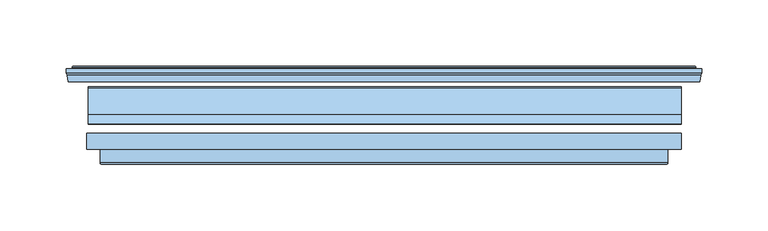
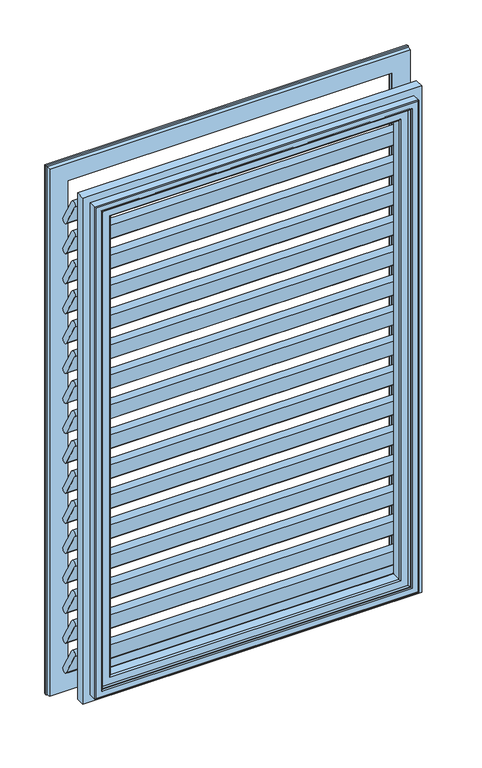
"""IFC4 building model written with IfcOpenShell, lengths in millimetres: window geometry."""

from ifc_helpers import new_model, si_unit, point, frame, frame_2d, origin, place, context, project, spatial, polyline, circle_curve, ellipse_curve, trimmed, segment, composite_curve, outline, extrude, source, transform, mapped, element, save
from ifc_brep_helpers import plane_surface, cylinder_surface, revolved_surface, advanced_brep


def window_b75c1508(model_context):
    return source(origin(), model_context, "Body", "SolidModel", [
        extrude(outline(composite_curve([segment(trimmed(circle_curve(frame_2d((113.9987513, 1495.110973)), 4.0), [point((110.5346497, 1493.110973))], [point((117.4628529, 1497.110973))], False, "CARTESIAN"), True, "CONTINUOUS"), segment(polyline([(117.4628529, 1497.110973), (137.4628449, 1462.4699707)]), True, "CONTINUOUS"), segment(trimmed(circle_curve(frame_2d((133.9987433, 1460.4699707)), 4.0), [point((137.4628449, 1462.4699707))], [point((130.5346417, 1458.4699707))], False, "CARTESIAN"), True, "CONTINUOUS"), segment(polyline([(130.5346417, 1458.4699707), (110.5346497, 1493.110973)]), True, "CONTINUOUS")], self_intersect=False)), frame((-223.0, 0.0, 0.0), z_axis=(1.0, 0.0, 0.0), x_axis=(0.0, 1.0, 0.0)), (0.0, 0.0, 1.0), 447.0),
        extrude(outline(composite_curve([segment(trimmed(circle_curve(frame_2d((113.9987513, 1453.2202607)), 4.0), [point((110.5346497, 1451.2202607))], [point((117.4628529, 1455.2202607))], False, "CARTESIAN"), True, "CONTINUOUS"), segment(polyline([(117.4628529, 1455.2202607), (137.4628449, 1420.5792584)]), True, "CONTINUOUS"), segment(trimmed(circle_curve(frame_2d((133.9987433, 1418.5792584)), 4.0), [point((137.4628449, 1420.5792584))], [point((130.5346417, 1416.5792584))], False, "CARTESIAN"), True, "CONTINUOUS"), segment(polyline([(130.5346417, 1416.5792584), (110.5346497, 1451.2202607)]), True, "CONTINUOUS")], self_intersect=False)), frame((-223.0, 0.0, 0.0), z_axis=(1.0, 0.0, 0.0), x_axis=(0.0, 1.0, 0.0)), (0.0, 0.0, 1.0), 447.0),
        extrude(outline(composite_curve([segment(trimmed(circle_curve(frame_2d((113.9987513, 1411.3295484)), 4.0), [point((110.5346497, 1409.3295484))], [point((117.4628529, 1413.3295484))], False, "CARTESIAN"), True, "CONTINUOUS"), segment(polyline([(117.4628529, 1413.3295484), (137.4628449, 1378.6885461)]), True, "CONTINUOUS"), segment(trimmed(circle_curve(frame_2d((133.9987433, 1376.6885461)), 4.0), [point((137.4628449, 1378.6885461))], [point((130.5346417, 1374.6885461))], False, "CARTESIAN"), True, "CONTINUOUS"), segment(polyline([(130.5346417, 1374.6885461), (110.5346497, 1409.3295484)]), True, "CONTINUOUS")], self_intersect=False)), frame((-223.0, 0.0, 0.0), z_axis=(1.0, 0.0, 0.0), x_axis=(0.0, 1.0, 0.0)), (0.0, 0.0, 1.0), 447.0),
        extrude(outline(composite_curve([segment(trimmed(circle_curve(frame_2d((113.9987513, 1369.4388361)), 4.0), [point((110.5346497, 1367.4388361))], [point((117.4628529, 1371.4388361))], False, "CARTESIAN"), True, "CONTINUOUS"), segment(polyline([(117.4628529, 1371.4388361), (137.4628449, 1336.7978338)]), True, "CONTINUOUS"), segment(trimmed(circle_curve(frame_2d((133.9987433, 1334.7978338)), 4.0), [point((137.4628449, 1336.7978338))], [point((130.5346417, 1332.7978338))], False, "CARTESIAN"), True, "CONTINUOUS"), segment(polyline([(130.5346417, 1332.7978338), (110.5346497, 1367.4388361)]), True, "CONTINUOUS")], self_intersect=False)), frame((-223.0, 0.0, 0.0), z_axis=(1.0, 0.0, 0.0), x_axis=(0.0, 1.0, 0.0)), (0.0, 0.0, 1.0), 447.0),
        extrude(outline(composite_curve([segment(trimmed(circle_curve(frame_2d((113.9987513, 1327.5481238)), 4.0), [point((110.5346497, 1325.5481238))], [point((117.4628529, 1329.5481238))], False, "CARTESIAN"), True, "CONTINUOUS"), segment(polyline([(117.4628529, 1329.5481238), (137.4628449, 1294.9071214)]), True, "CONTINUOUS"), segment(trimmed(circle_curve(frame_2d((133.9987433, 1292.9071214)), 4.0), [point((137.4628449, 1294.9071214))], [point((130.5346417, 1290.9071214))], False, "CARTESIAN"), True, "CONTINUOUS"), segment(polyline([(130.5346417, 1290.9071214), (110.5346497, 1325.5481238)]), True, "CONTINUOUS")], self_intersect=False)), frame((-223.0, 0.0, 0.0), z_axis=(1.0, 0.0, 0.0), x_axis=(0.0, 1.0, 0.0)), (0.0, 0.0, 1.0), 447.0),
        extrude(outline(composite_curve([segment(trimmed(circle_curve(frame_2d((113.9987513, 1285.6574114)), 4.0), [point((110.5346497, 1283.6574114))], [point((117.4628529, 1287.6574114))], False, "CARTESIAN"), True, "CONTINUOUS"), segment(polyline([(117.4628529, 1287.6574114), (137.4628449, 1253.0164091)]), True, "CONTINUOUS"), segment(trimmed(circle_curve(frame_2d((133.9987433, 1251.0164091)), 4.0), [point((137.4628449, 1253.0164091))], [point((130.5346417, 1249.0164091))], False, "CARTESIAN"), True, "CONTINUOUS"), segment(polyline([(130.5346417, 1249.0164091), (110.5346497, 1283.6574114)]), True, "CONTINUOUS")], self_intersect=False)), frame((-223.0, 0.0, 0.0), z_axis=(1.0, 0.0, 0.0), x_axis=(0.0, 1.0, 0.0)), (0.0, 0.0, 1.0), 447.0),
        extrude(outline(composite_curve([segment(trimmed(circle_curve(frame_2d((113.9987513, 1243.7666991)), 4.0), [point((110.5346497, 1241.7666991))], [point((117.4628529, 1245.7666991))], False, "CARTESIAN"), True, "CONTINUOUS"), segment(polyline([(117.4628529, 1245.7666991), (137.4628449, 1211.1256968)]), True, "CONTINUOUS"), segment(trimmed(circle_curve(frame_2d((133.9987433, 1209.1256968)), 4.0), [point((137.4628449, 1211.1256968))], [point((130.5346417, 1207.1256968))], False, "CARTESIAN"), True, "CONTINUOUS"), segment(polyline([(130.5346417, 1207.1256968), (110.5346497, 1241.7666991)]), True, "CONTINUOUS")], self_intersect=False)), frame((-223.0, 0.0, 0.0), z_axis=(1.0, 0.0, 0.0), x_axis=(0.0, 1.0, 0.0)), (0.0, 0.0, 1.0), 447.0),
        extrude(outline(composite_curve([segment(trimmed(circle_curve(frame_2d((113.9987513, 1537.0016853)), 4.0), [point((110.5346497, 1535.0016853))], [point((117.4628529, 1539.0016853))], False, "CARTESIAN"), True, "CONTINUOUS"), segment(polyline([(117.4628529, 1539.0016853), (137.4628449, 1504.360683)]), True, "CONTINUOUS"), segment(trimmed(circle_curve(frame_2d((133.9987433, 1502.360683)), 4.0), [point((137.4628449, 1504.360683))], [point((130.5346417, 1500.360683))], False, "CARTESIAN"), True, "CONTINUOUS"), segment(polyline([(130.5346417, 1500.360683), (110.5346497, 1535.0016853)]), True, "CONTINUOUS")], self_intersect=False)), frame((-223.0, 0.0, 0.0), z_axis=(1.0, 0.0, 0.0), x_axis=(0.0, 1.0, 0.0)), (0.0, 0.0, 1.0), 447.0),
        extrude(outline(composite_curve([segment(trimmed(circle_curve(frame_2d((113.9987513, 1201.8759868)), 4.0), [point((110.5346497, 1199.8759868))], [point((117.4628529, 1203.8759868))], False, "CARTESIAN"), True, "CONTINUOUS"), segment(polyline([(117.4628529, 1203.8759868), (137.4628449, 1169.2349845)]), True, "CONTINUOUS"), segment(trimmed(circle_curve(frame_2d((133.9987433, 1167.2349845)), 4.0), [point((137.4628449, 1169.2349845))], [point((130.5346417, 1165.2349845))], False, "CARTESIAN"), True, "CONTINUOUS"), segment(polyline([(130.5346417, 1165.2349845), (110.5346497, 1199.8759868)]), True, "CONTINUOUS")], self_intersect=False)), frame((-223.0, 0.0, 0.0), z_axis=(1.0, 0.0, 0.0), x_axis=(0.0, 1.0, 0.0)), (0.0, 0.0, 1.0), 447.0),
        extrude(outline(composite_curve([segment(trimmed(circle_curve(frame_2d((113.9987513, 1159.9852745)), 4.0), [point((110.5346497, 1157.9852745))], [point((117.4628529, 1161.9852745))], False, "CARTESIAN"), True, "CONTINUOUS"), segment(polyline([(117.4628529, 1161.9852745), (137.4628449, 1127.3442722)]), True, "CONTINUOUS"), segment(trimmed(circle_curve(frame_2d((133.9987433, 1125.3442722)), 4.0), [point((137.4628449, 1127.3442722))], [point((130.5346417, 1123.3442722))], False, "CARTESIAN"), True, "CONTINUOUS"), segment(polyline([(130.5346417, 1123.3442722), (110.5346497, 1157.9852745)]), True, "CONTINUOUS")], self_intersect=False)), frame((-223.0, 0.0, 0.0), z_axis=(1.0, 0.0, 0.0), x_axis=(0.0, 1.0, 0.0)), (0.0, 0.0, 1.0), 447.0),
        extrude(outline(composite_curve([segment(trimmed(circle_curve(frame_2d((113.9987513, 1118.0945622)), 4.0), [point((110.5346497, 1116.0945622))], [point((117.4628529, 1120.0945622))], False, "CARTESIAN"), True, "CONTINUOUS"), segment(polyline([(117.4628529, 1120.0945622), (137.4628449, 1085.4535598)]), True, "CONTINUOUS"), segment(trimmed(circle_curve(frame_2d((133.9987433, 1083.4535598)), 4.0), [point((137.4628449, 1085.4535598))], [point((130.5346417, 1081.4535598))], False, "CARTESIAN"), True, "CONTINUOUS"), segment(polyline([(130.5346417, 1081.4535598), (110.5346497, 1116.0945622)]), True, "CONTINUOUS")], self_intersect=False)), frame((-223.0, 0.0, 0.0), z_axis=(1.0, 0.0, 0.0), x_axis=(0.0, 1.0, 0.0)), (0.0, 0.0, 1.0), 447.0),
        extrude(outline(composite_curve([segment(trimmed(circle_curve(frame_2d((113.9987513, 1076.2038498)), 4.0), [point((110.5346497, 1074.2038498))], [point((117.4628529, 1078.2038498))], False, "CARTESIAN"), True, "CONTINUOUS"), segment(polyline([(117.4628529, 1078.2038498), (137.4628449, 1043.5628475)]), True, "CONTINUOUS"), segment(trimmed(circle_curve(frame_2d((133.9987433, 1041.5628475)), 4.0), [point((137.4628449, 1043.5628475))], [point((130.5346417, 1039.5628475))], False, "CARTESIAN"), True, "CONTINUOUS"), segment(polyline([(130.5346417, 1039.5628475), (110.5346497, 1074.2038498)]), True, "CONTINUOUS")], self_intersect=False)), frame((-223.0, 0.0, 0.0), z_axis=(1.0, 0.0, 0.0), x_axis=(0.0, 1.0, 0.0)), (0.0, 0.0, 1.0), 447.0),
        extrude(outline(composite_curve([segment(trimmed(circle_curve(frame_2d((113.9987513, 1034.3131375)), 4.0), [point((110.5346497, 1032.3131375))], [point((117.4628529, 1036.3131375))], False, "CARTESIAN"), True, "CONTINUOUS"), segment(polyline([(117.4628529, 1036.3131375), (137.4628449, 1001.6721352)]), True, "CONTINUOUS"), segment(trimmed(circle_curve(frame_2d((133.9987433, 999.6721352)), 4.0), [point((137.4628449, 1001.6721352))], [point((130.5346417, 997.6721352))], False, "CARTESIAN"), True, "CONTINUOUS"), segment(polyline([(130.5346417, 997.6721352), (110.5346497, 1032.3131375)]), True, "CONTINUOUS")], self_intersect=False)), frame((-223.0, 0.0, 0.0), z_axis=(1.0, 0.0, 0.0), x_axis=(0.0, 1.0, 0.0)), (0.0, 0.0, 1.0), 447.0),
        extrude(outline(composite_curve([segment(trimmed(circle_curve(frame_2d((113.9987513, 992.4224252)), 4.0), [point((110.5346497, 990.4224252))], [point((117.4628529, 994.4224252))], False, "CARTESIAN"), True, "CONTINUOUS"), segment(polyline([(117.4628529, 994.4224252), (137.4628449, 959.7814229)]), True, "CONTINUOUS"), segment(trimmed(circle_curve(frame_2d((133.9987433, 957.7814229)), 4.0), [point((137.4628449, 959.7814229))], [point((130.5346417, 955.7814229))], False, "CARTESIAN"), True, "CONTINUOUS"), segment(polyline([(130.5346417, 955.7814229), (110.5346497, 990.4224252)]), True, "CONTINUOUS")], self_intersect=False)), frame((-223.0, 0.0, 0.0), z_axis=(1.0, 0.0, 0.0), x_axis=(0.0, 1.0, 0.0)), (0.0, 0.0, 1.0), 447.0),
        extrude(outline(composite_curve([segment(trimmed(circle_curve(frame_2d((113.9987513, 950.5317129)), 4.0), [point((110.5346497, 948.5317129))], [point((117.4628529, 952.5317129))], False, "CARTESIAN"), True, "CONTINUOUS"), segment(polyline([(117.4628529, 952.5317129), (137.4628449, 917.8907106)]), True, "CONTINUOUS"), segment(trimmed(circle_curve(frame_2d((133.9987433, 915.8907106)), 4.0), [point((137.4628449, 917.8907106))], [point((130.5346417, 913.8907106))], False, "CARTESIAN"), True, "CONTINUOUS"), segment(polyline([(130.5346417, 913.8907106), (110.5346497, 948.5317129)]), True, "CONTINUOUS")], self_intersect=False)), frame((-223.0, 0.0, 0.0), z_axis=(1.0, 0.0, 0.0), x_axis=(0.0, 1.0, 0.0)), (0.0, 0.0, 1.0), 447.0),
        extrude(outline(composite_curve([segment(trimmed(circle_curve(frame_2d((113.9987513, 908.6410006)), 4.0), [point((110.5346497, 906.6410006))], [point((117.4628529, 910.6410006))], False, "CARTESIAN"), True, "CONTINUOUS"), segment(polyline([(117.4628529, 910.6410006), (137.4628449, 875.9999983)]), True, "CONTINUOUS"), segment(trimmed(circle_curve(frame_2d((133.9987433, 873.9999983)), 4.0), [point((137.4628449, 875.9999983))], [point((130.5346417, 871.9999983))], False, "CARTESIAN"), True, "CONTINUOUS"), segment(polyline([(130.5346417, 871.9999983), (110.5346497, 906.6410006)]), True, "CONTINUOUS")], self_intersect=False)), frame((-223.0, 0.0, 0.0), z_axis=(1.0, 0.0, 0.0), x_axis=(0.0, 1.0, 0.0)), (0.0, 0.0, 1.0), 447.0),
        advanced_brep(
        [(191.1111777, 85.6341729, 1527.1111777), (192.9139994, 100.3169769, 1528.9139994), (192.9139994, 100.3169769, 883.0860006), (191.1111777, 85.6341729, 884.8888223), (192.5999969, 83.9513689, 1528.5999969), (192.5999969, 83.9513689, 883.4000031), (203.9999969, 82.4513689, 1539.9999969), (202.4999969, 83.9513689, 1538.4999969), (202.4999969, 83.9513689, 873.5000031), (203.9999969, 82.4513689, 872.0000031), (203.9999969, 81.2513689, 1539.9999969), (203.9999969, 81.2513689, 872.0000031), (205.4999969, 79.7513689, 1541.4999969), (205.4999969, 79.7513689, 870.5000031), (213.9999969, 80.7513689, 1549.9999969), (212.9999969, 79.7513689, 1548.9999969), (212.9999969, 79.7513689, 863.0000031), (213.9999969, 80.7513689, 862.0000031), (213.9999969, 90.9513689, 1549.9999969), (213.9999969, 90.9513689, 862.0000031), (223.9999969, 102.9513689, 1559.9999969), (223.9999969, 90.9513689, 1559.9999969), (223.9999969, 90.9513689, 852.0000031), (223.9999969, 102.9513689, 852.0000031), (195.8916378, 102.9513689, 1531.8916378), (195.8916378, 102.9513689, 880.1083622), (-192.9139994, 100.3169769, 883.0860006), (-191.1111777, 85.6341729, 884.8888223), (-192.5999969, 83.9513689, 883.4000031), (-202.4999969, 83.9513689, 873.5000031), (-203.9999969, 82.4513689, 872.0000031), (-203.9999969, 81.2513689, 872.0000031), (-205.4999969, 79.7513689, 870.5000031), (-212.9999969, 79.7513689, 863.0000031), (-213.9999969, 80.7513689, 862.0000031), (-213.9999969, 90.9513689, 862.0000031), (-223.9999969, 90.9513689, 852.0000031), (-223.9999969, 102.9513689, 852.0000031), (-195.8916378, 102.9513689, 880.1083622), (-192.9139994, 100.3169769, 1528.9139994), (-191.1111777, 85.6341729, 1527.1111777), (-192.5999969, 83.9513689, 1528.5999969), (-202.4999969, 83.9513689, 1538.4999969), (-203.9999969, 82.4513689, 1539.9999969), (-203.9999969, 81.2513689, 1539.9999969), (-205.4999969, 79.7513689, 1541.4999969), (-212.9999969, 79.7513689, 1548.9999969), (-213.9999969, 80.7513689, 1549.9999969), (-213.9999969, 90.9513689, 1549.9999969), (-223.9999969, 90.9513689, 1559.9999969), (-223.9999969, 102.9513689, 1559.9999969), (-195.8916378, 102.9513689, 1531.8916378)],
        [
            (0, 1),
            (1, 2),
            (2, 3),
            (3, 0),
            (4, 0, ellipse_curve(frame((192.5999969, 85.4513689, 1528.5999969), z_axis=(0.7071067811865475, 0.0, -0.7071067811865475), x_axis=(0.7071067811865474, 0.0, 0.7071067811865476)), 2.1213203, 1.5)),
            (3, 5, ellipse_curve(frame((192.5999969, 85.4513689, 883.4000031), z_axis=(0.7071067811865475, 0.0, 0.7071067811865475), x_axis=(-0.7071067811865474, 0.0, 0.7071067811865476)), 2.1213203, 1.5)),
            (5, 4),
            (6, 7, ellipse_curve(frame((202.4999969, 82.4513689, 1538.4999969), z_axis=(-0.7071067811865475, 0.0, 0.7071067811865475), x_axis=(-0.7071067811865474, 0.0, -0.7071067811865476)), 2.1213203, 1.5)),
            (7, 8),
            (8, 9, ellipse_curve(frame((202.4999969, 82.4513689, 873.5000031), z_axis=(-0.7071067811865475, 0.0, -0.7071067811865475), x_axis=(0.7071067811865474, 0.0, -0.7071067811865476)), 2.1213203, 1.5)),
            (9, 6),
            (10, 6),
            (9, 11),
            (11, 10),
            (12, 10, ellipse_curve(frame((205.4999969, 81.2513689, 1541.4999969), z_axis=(0.7071067811865475, 0.0, -0.7071067811865475), x_axis=(0.7071067811865474, 0.0, 0.7071067811865476)), 2.1213203, 1.5)),
            (11, 13, ellipse_curve(frame((205.4999969, 81.2513689, 870.5000031), z_axis=(0.7071067811865475, 0.0, 0.7071067811865475), x_axis=(-0.7071067811865474, 0.0, 0.7071067811865476)), 2.1213203, 1.5)),
            (13, 12),
            (14, 15, ellipse_curve(frame((212.9999969, 80.7513689, 1548.9999969), z_axis=(0.7071067811865475, 0.0, -0.7071067811865475), x_axis=(0.7071067811865474, 0.0, 0.7071067811865476)), 1.4142136, 1.0)),
            (15, 16),
            (16, 17, ellipse_curve(frame((212.9999969, 80.7513689, 863.0000031), z_axis=(0.7071067811865475, 0.0, 0.7071067811865475), x_axis=(-0.7071067811865474, 0.0, 0.7071067811865476)), 1.4142136, 1.0)),
            (17, 14),
            (18, 14),
            (17, 19),
            (19, 18),
            (20, 21),
            (21, 22),
            (22, 23),
            (23, 20),
            (1, 24, ellipse_curve(frame((195.8916378, 99.9513689, 1531.8916378), z_axis=(0.7071067811865475, 0.0, -0.7071067811865475), x_axis=(0.7071067811865474, 0.0, 0.7071067811865476)), 4.2426407, 3.0)),
            (24, 25),
            (25, 2, ellipse_curve(frame((195.8916378, 99.9513689, 880.1083622), z_axis=(0.7071067811865475, 0.0, 0.7071067811865475), x_axis=(-0.7071067811865474, 0.0, 0.7071067811865476)), 4.2426407, 3.0)),
            (2, 26),
            (26, 27),
            (27, 3),
            (27, 28, ellipse_curve(frame((-192.5999969, 85.4513689, 883.4000031), z_axis=(0.7071067811865475, 0.0, -0.7071067811865475), x_axis=(0.7071067811865476, 0.0, 0.7071067811865474)), 2.1213203, 1.5)),
            (28, 5),
            (8, 29),
            (29, 30, ellipse_curve(frame((-202.4999969, 82.4513689, 873.5000031), z_axis=(-0.7071067811865475, 0.0, 0.7071067811865475), x_axis=(-0.7071067811865476, 0.0, -0.7071067811865474)), 2.1213203, 1.5)),
            (30, 9),
            (30, 31),
            (31, 11),
            (31, 32, ellipse_curve(frame((-205.4999969, 81.2513689, 870.5000031), z_axis=(0.7071067811865475, 0.0, -0.7071067811865475), x_axis=(0.7071067811865476, 0.0, 0.7071067811865474)), 2.1213203, 1.5)),
            (32, 13),
            (16, 33),
            (33, 34, ellipse_curve(frame((-212.9999969, 80.7513689, 863.0000031), z_axis=(0.7071067811865475, 0.0, -0.7071067811865475), x_axis=(0.7071067811865476, 0.0, 0.7071067811865474)), 1.4142136, 1.0)),
            (34, 17),
            (34, 35),
            (35, 19),
            (22, 36),
            (36, 37),
            (37, 23),
            (25, 38),
            (38, 26, ellipse_curve(frame((-195.8916378, 99.9513689, 880.1083622), z_axis=(0.7071067811865475, 0.0, -0.7071067811865475), x_axis=(0.7071067811865476, 0.0, 0.7071067811865474)), 4.2426407, 3.0)),
            (26, 39),
            (39, 40),
            (40, 27),
            (40, 41, ellipse_curve(frame((-192.5999969, 85.4513689, 1528.5999969), z_axis=(-0.7071067811865475, 0.0, -0.7071067811865475), x_axis=(0.7071067811865474, 0.0, -0.7071067811865476)), 2.1213203, 1.5)),
            (41, 28),
            (29, 42),
            (42, 43, ellipse_curve(frame((-202.4999969, 82.4513689, 1538.4999969), z_axis=(0.7071067811865475, 0.0, 0.7071067811865475), x_axis=(-0.7071067811865474, 0.0, 0.7071067811865476)), 2.1213203, 1.5)),
            (43, 30),
            (43, 44),
            (44, 31),
            (44, 45, ellipse_curve(frame((-205.4999969, 81.2513689, 1541.4999969), z_axis=(-0.7071067811865475, 0.0, -0.7071067811865475), x_axis=(0.7071067811865474, 0.0, -0.7071067811865476)), 2.1213203, 1.5)),
            (45, 32),
            (33, 46),
            (46, 47, ellipse_curve(frame((-212.9999969, 80.7513689, 1548.9999969), z_axis=(-0.7071067811865475, 0.0, -0.7071067811865475), x_axis=(0.7071067811865474, 0.0, -0.7071067811865476)), 1.4142136, 1.0)),
            (47, 34),
            (47, 48),
            (48, 35),
            (36, 49),
            (49, 50),
            (50, 37),
            (38, 51),
            (51, 39, ellipse_curve(frame((-195.8916378, 99.9513689, 1531.8916378), z_axis=(-0.7071067811865475, 0.0, -0.7071067811865475), x_axis=(0.7071067811865474, 0.0, -0.7071067811865476)), 4.2426407, 3.0)),
            (39, 1),
            (0, 40),
            (4, 41),
            (7, 42),
            (6, 43),
            (10, 44),
            (12, 45),
            (15, 46),
            (14, 47),
            (18, 48),
            (21, 49),
            (20, 50),
            (24, 51),
        ],
        [
            plane_surface(frame((192.9139994, 100.3169769, 1528.9139994), z_axis=(-0.9925461516413101, 0.12186934340524541, 0.0), x_axis=(0.0, 0.0, -1.0))),
            cylinder_surface(frame((192.5999969, 85.4513689, 1600.0), z_axis=(0.0, 0.0, 1.0), x_axis=(0.0, -1.0, 0.0)), 1.5),
            revolved_surface(polyline([(202.4999969, 80.9513689, 872.0000031), (202.4999969, 80.9513689, 1539.9999969)]), (202.4999969, 82.4513689, 1600.0), (0.0, 0.0, -1.0)),
            plane_surface(frame((203.9999969, 82.4513689, 1539.9999969), z_axis=(-1.0, 0.0, 0.0), x_axis=(0.0, 0.0, -1.0))),
            cylinder_surface(frame((205.4999969, 81.2513689, 1600.0), z_axis=(0.0, 0.0, 1.0), x_axis=(0.0, -1.0, 0.0)), 1.5),
            cylinder_surface(frame((212.9999969, 80.7513689, 1600.0), z_axis=(0.0, 0.0, 1.0), x_axis=(0.0, -1.0, 0.0)), 1.0),
            plane_surface(frame((213.9999969, 80.7513689, 1549.9999969), z_axis=(1.0, 0.0, 0.0), x_axis=(0.0, 0.0, -1.0))),
            plane_surface(frame((223.9999969, 90.9513689, 1559.9999969), z_axis=(1.0, 0.0, 0.0), x_axis=(0.0, 0.0, -1.0))),
            cylinder_surface(frame((195.8916378, 99.9513689, 1600.0), z_axis=(0.0, 0.0, 1.0), x_axis=(0.0, -1.0, 0.0)), 3.0),
            plane_surface(frame((192.9139994, 100.3169769, 883.0860006), z_axis=(0.0, 0.12186934340524541, 0.9925461516413101), x_axis=(-1.0, 0.0, 0.0))),
            cylinder_surface(frame((264.0, 85.4513689, 883.4000031), z_axis=(1.0, 0.0, 0.0), x_axis=(0.0, -1.0, 0.0)), 1.5),
            revolved_surface(polyline([(-203.99999690000004, 80.9513689, 873.5000031), (203.9999969, 80.9513689, 873.5000031)]), (264.0, 82.4513689, 873.5000031), (-1.0, 0.0, 0.0)),
            plane_surface(frame((203.9999969, 82.4513689, 872.0000031), z_axis=(0.0, 0.0, 1.0), x_axis=(-1.0, 0.0, 0.0))),
            cylinder_surface(frame((264.0, 81.2513689, 870.5000031), z_axis=(1.0, 0.0, 0.0), x_axis=(0.0, -1.0, 0.0)), 1.5),
            cylinder_surface(frame((264.0, 80.7513689, 863.0000031), z_axis=(1.0, 0.0, 0.0), x_axis=(0.0, -1.0, 0.0)), 1.0),
            plane_surface(frame((213.9999969, 80.7513689, 862.0000031), z_axis=(0.0, 0.0, -1.0), x_axis=(-1.0, 0.0, 0.0))),
            plane_surface(frame((223.9999969, 90.9513689, 852.0000031), z_axis=(0.0, 0.0, -1.0), x_axis=(-1.0, 0.0, 0.0))),
            cylinder_surface(frame((264.0, 99.9513689, 880.1083622), z_axis=(1.0, 0.0, 0.0), x_axis=(0.0, -1.0, 0.0)), 3.0),
            plane_surface(frame((-192.9139994, 100.3169769, 883.0860006), z_axis=(0.9925461516413101, 0.12186934340524541, 0.0), x_axis=(0.0, 0.0, 1.0))),
            cylinder_surface(frame((-192.5999969, 85.4513689, 812.0), z_axis=(0.0, 0.0, -1.0), x_axis=(0.0, -1.0, 0.0)), 1.5),
            revolved_surface(polyline([(-202.4999969, 80.9513689, 1539.9999969), (-202.4999969, 80.9513689, 872.0000031)]), (-202.4999969, 82.4513689, 812.0), (0.0, 0.0, 1.0)),
            plane_surface(frame((-203.9999969, 82.4513689, 872.0000031), z_axis=(1.0, 0.0, 0.0), x_axis=(0.0, 0.0, 1.0))),
            cylinder_surface(frame((-205.4999969, 81.2513689, 812.0), z_axis=(0.0, 0.0, -1.0), x_axis=(0.0, -1.0, 0.0)), 1.5),
            cylinder_surface(frame((-212.9999969, 80.7513689, 812.0), z_axis=(0.0, 0.0, -1.0), x_axis=(0.0, -1.0, 0.0)), 1.0),
            plane_surface(frame((-213.9999969, 80.7513689, 862.0000031), z_axis=(-1.0, 0.0, 0.0), x_axis=(0.0, 0.0, 1.0))),
            plane_surface(frame((-223.9999969, 90.9513689, 852.0000031), z_axis=(-1.0, 0.0, 0.0), x_axis=(0.0, 0.0, 1.0))),
            cylinder_surface(frame((-195.8916378, 99.9513689, 812.0), z_axis=(0.0, 0.0, -1.0), x_axis=(0.0, -1.0, 0.0)), 3.0),
            plane_surface(frame((-192.9139994, 100.3169769, 1528.9139994), z_axis=(0.0, 0.12186934340524541, -0.9925461516413101), x_axis=(1.0, 0.0, 0.0))),
            cylinder_surface(frame((-264.0, 85.4513689, 1528.5999969), z_axis=(-1.0, 0.0, 0.0), x_axis=(0.0, -1.0, 0.0)), 1.5),
            plane_surface(frame((-192.5999969, 83.9513689, 1528.5999969), z_axis=(0.0, -1.0, 0.0), x_axis=(1.0, 0.0, 0.0))),
            revolved_surface(polyline([(203.99999690000004, 80.9513689, 1538.4999969), (-203.9999969, 80.9513689, 1538.4999969)]), (-264.0, 82.4513689, 1538.4999969), (1.0, 0.0, 0.0)),
            plane_surface(frame((-203.9999969, 82.4513689, 1539.9999969), z_axis=(0.0, 0.0, -1.0), x_axis=(1.0, 0.0, 0.0))),
            cylinder_surface(frame((-264.0, 81.2513689, 1541.4999969), z_axis=(-1.0, 0.0, 0.0), x_axis=(0.0, -1.0, 0.0)), 1.5),
            plane_surface(frame((-205.4999969, 79.7513689, 1541.4999969), z_axis=(0.0, -1.0, 0.0), x_axis=(1.0, 0.0, 0.0))),
            cylinder_surface(frame((-264.0, 80.7513689, 1548.9999969), z_axis=(-1.0, 0.0, 0.0), x_axis=(0.0, -1.0, 0.0)), 1.0),
            plane_surface(frame((-213.9999969, 80.7513689, 1549.9999969), z_axis=(0.0, 0.0, 1.0), x_axis=(1.0, 0.0, 0.0))),
            plane_surface(frame((-213.9999969, 90.9513689, 1549.9999969), z_axis=(0.0, -1.0, 0.0), x_axis=(1.0, 0.0, 0.0))),
            plane_surface(frame((-223.9999969, 90.9513689, 1559.9999969), z_axis=(0.0, 0.0, 1.0), x_axis=(1.0, 0.0, 0.0))),
            plane_surface(frame((-223.9999969, 102.9513689, 1559.9999969), z_axis=(0.0, 1.0, 0.0), x_axis=(1.0, 0.0, 0.0))),
            cylinder_surface(frame((-264.0, 99.9513689, 1531.8916378), z_axis=(-1.0, 0.0, 0.0), x_axis=(0.0, -1.0, 0.0)), 3.0),
        ],
        [
            (0, [[1, 2, 3, 4]]),
            (1, [[5, -4, 6, 7]]),
            (2, [[8, 9, 10, 11]]),
            (3, [[12, -11, 13, 14]]),
            (4, [[15, -14, 16, 17]]),
            (5, [[18, 19, 20, 21]]),
            (6, [[22, -21, 23, 24]]),
            (7, [[25, 26, 27, 28]]),
            (8, [[29, 30, 31, -2]]),
            (9, [[-3, 32, 33, 34]]),
            (10, [[-6, -34, 35, 36]]),
            (11, [[-10, 37, 38, 39]]),
            (12, [[-13, -39, 40, 41]]),
            (13, [[-16, -41, 42, 43]]),
            (14, [[-20, 44, 45, 46]]),
            (15, [[-23, -46, 47, 48]]),
            (16, [[-27, 49, 50, 51]]),
            (17, [[-31, 52, 53, -32]]),
            (18, [[-33, 54, 55, 56]]),
            (19, [[-35, -56, 57, 58]]),
            (20, [[-38, 59, 60, 61]]),
            (21, [[-40, -61, 62, 63]]),
            (22, [[-42, -63, 64, 65]]),
            (23, [[-45, 66, 67, 68]]),
            (24, [[-47, -68, 69, 70]]),
            (25, [[-50, 71, 72, 73]]),
            (26, [[-53, 74, 75, -54]]),
            (27, [[-55, 76, -1, 77]]),
            (28, [[-57, -77, -5, 78]]),
            (29, [[79, -59, -37, -9], [-36, -58, -78, -7]]),
            (30, [[-60, -79, -8, 80]]),
            (31, [[-62, -80, -12, 81]]),
            (32, [[-64, -81, -15, 82]]),
            (33, [[83, -66, -44, -19], [-43, -65, -82, -17]]),
            (34, [[-67, -83, -18, 84]]),
            (35, [[-69, -84, -22, 85]]),
            (36, [[86, -71, -49, -26], [-48, -70, -85, -24]]),
            (37, [[-72, -86, -25, 87]]),
            (38, [[-51, -73, -87, -28], [88, -74, -52, -30]]),
            (39, [[-75, -88, -29, -76]]),
        ],
    ),
        advanced_brep(
        [(-216.8884017, 152.7923717, 859.1115983), (-217.8447065, 153.5, 858.1552935), (-217.8447065, 153.5, 1553.8447065), (-216.8884017, 152.7923717, 1552.8884017), (-214.0131086, 143.3877115, 861.9868914), (-214.0131086, 143.3877115, 1550.0131086), (-214.0131086, 142.0, 861.9868914), (-214.0131086, 142.0, 1550.0131086), (-238.8552357, 146.8314147, 837.1447643), (-238.2620126, 142.0, 837.7379874), (-238.2620126, 142.0, 1574.2620126), (-238.8552357, 146.8314147, 1574.8552357), (-239.6, 148.4005104, 836.4), (-239.6, 148.4005104, 1575.6), (-239.6, 151.5, 836.4), (-239.6, 151.5, 1575.6), (-235.2213134, 152.5, 840.7786866), (-235.2213134, 151.5, 840.7786866), (-235.2213134, 151.5, 1571.2213134), (-235.2213134, 152.5, 1571.2213134), (-234.2213134, 153.5, 841.7786866), (-234.2213134, 153.5, 1570.2213134), (217.8447065, 153.5, 1553.8447065), (216.8884017, 152.7923717, 1552.8884017), (214.0131086, 143.3877115, 1550.0131086), (214.0131086, 142.0, 1550.0131086), (238.2620126, 142.0, 1574.2620126), (238.8552357, 146.8314147, 1574.8552357), (239.6, 148.4005104, 1575.6), (239.6, 151.5, 1575.6), (235.2213134, 151.5, 1571.2213134), (235.2213134, 152.5, 1571.2213134), (234.2213134, 153.5, 1570.2213134), (217.8447065, 153.5, 858.1552935), (216.8884017, 152.7923717, 859.1115983), (214.0131086, 143.3877115, 861.9868914), (214.0131086, 142.0, 861.9868914), (238.2620126, 142.0, 837.7379874), (238.8552357, 146.8314147, 837.1447643), (239.6, 148.4005104, 836.4), (239.6, 151.5, 836.4), (235.2213134, 151.5, 840.7786866), (235.2213134, 152.5, 840.7786866), (234.2213134, 153.5, 841.7786866)],
        [
            (0, 1, ellipse_curve(frame((-217.8447065, 152.5, 858.1552935), z_axis=(-0.7071067811865475, 0.0, 0.7071067811865475), x_axis=(-0.7071067811865474, 0.0, -0.7071067811865476)), 1.4142136, 1.0)),
            (1, 2),
            (2, 3, ellipse_curve(frame((-217.8447065, 152.5, 1553.8447065), z_axis=(-0.7071067811865475, 0.0, -0.7071067811865475), x_axis=(0.7071067811865474, 0.0, -0.7071067811865476)), 1.4142136, 1.0)),
            (3, 0),
            (4, 0),
            (3, 5),
            (5, 4),
            (6, 4),
            (5, 7),
            (7, 6),
            (8, 9),
            (9, 10),
            (10, 11),
            (11, 8),
            (12, 8),
            (11, 13),
            (13, 12),
            (14, 12),
            (13, 15),
            (15, 14),
            (16, 17),
            (17, 18),
            (18, 19),
            (19, 16),
            (20, 16, ellipse_curve(frame((-234.2213134, 152.5, 841.7786866), z_axis=(-0.7071067811865475, 0.0, 0.7071067811865475), x_axis=(-0.7071067811865474, 0.0, -0.7071067811865476)), 1.4142136, 1.0)),
            (19, 21, ellipse_curve(frame((-234.2213134, 152.5, 1570.2213134), z_axis=(-0.7071067811865475, 0.0, -0.7071067811865475), x_axis=(0.7071067811865474, 0.0, -0.7071067811865476)), 1.4142136, 1.0)),
            (21, 20),
            (2, 22),
            (22, 23, ellipse_curve(frame((217.8447065, 152.5, 1553.8447065), z_axis=(-0.7071067811865475, 0.0, 0.7071067811865475), x_axis=(-0.7071067811865476, 0.0, -0.7071067811865474)), 1.4142136, 1.0)),
            (23, 3),
            (23, 24),
            (24, 5),
            (24, 25),
            (25, 7),
            (10, 26),
            (26, 27),
            (27, 11),
            (27, 28),
            (28, 13),
            (28, 29),
            (29, 15),
            (18, 30),
            (30, 31),
            (31, 19),
            (31, 32, ellipse_curve(frame((234.2213134, 152.5, 1570.2213134), z_axis=(-0.7071067811865475, 0.0, 0.7071067811865475), x_axis=(-0.7071067811865476, 0.0, -0.7071067811865474)), 1.4142136, 1.0)),
            (32, 21),
            (22, 33),
            (33, 34, ellipse_curve(frame((217.8447065, 152.5, 858.1552935), z_axis=(0.7071067811865475, 0.0, 0.7071067811865475), x_axis=(-0.7071067811865474, 0.0, 0.7071067811865476)), 1.4142136, 1.0)),
            (34, 23),
            (34, 35),
            (35, 24),
            (35, 36),
            (36, 25),
            (26, 37),
            (37, 38),
            (38, 27),
            (38, 39),
            (39, 28),
            (39, 40),
            (40, 29),
            (30, 41),
            (41, 42),
            (42, 31),
            (42, 43, ellipse_curve(frame((234.2213134, 152.5, 841.7786866), z_axis=(0.7071067811865475, 0.0, 0.7071067811865475), x_axis=(-0.7071067811865474, 0.0, 0.7071067811865476)), 1.4142136, 1.0)),
            (43, 32),
            (33, 1),
            (0, 34),
            (4, 35),
            (6, 36),
            (9, 37),
            (8, 38),
            (12, 39),
            (14, 40),
            (17, 41),
            (16, 42),
            (20, 43),
        ],
        [
            cylinder_surface(frame((-217.8447065, 152.5, 855.0), z_axis=(0.0, 0.0, -1.0), x_axis=(0.0, -1.0, 0.0)), 1.0),
            plane_surface(frame((-216.8884017, 152.7923717, 859.1115983), z_axis=(0.9563047559630338, 0.29237170472274254, 0.0), x_axis=(0.0, 0.0, 1.0))),
            plane_surface(frame((-214.0131086, 143.3877115, 861.9868914), z_axis=(1.0, 0.0, 0.0), x_axis=(0.0, 0.0, 1.0))),
            plane_surface(frame((-238.2620126, 142.0, 837.7379874), z_axis=(-0.9925461516450066, -0.12186934337513969, 0.0), x_axis=(0.0, 0.0, 1.0))),
            plane_surface(frame((-238.8552357, 146.8314147, 837.1447643), z_axis=(-0.903401573257044, -0.4287955193757252, 0.0), x_axis=(0.0, 0.0, 1.0))),
            plane_surface(frame((-239.6, 148.4005104, 836.4), z_axis=(-1.0, 0.0, 0.0), x_axis=(0.0, 0.0, 1.0))),
            plane_surface(frame((-235.2213134, 151.5, 840.7786866), z_axis=(-1.0, 0.0, 0.0), x_axis=(0.0, 0.0, 1.0))),
            cylinder_surface(frame((-234.2213134, 152.5, 855.0), z_axis=(0.0, 0.0, -1.0), x_axis=(0.0, -1.0, 0.0)), 1.0),
            cylinder_surface(frame((-221.0, 152.5, 1553.8447065), z_axis=(-1.0, 0.0, 0.0), x_axis=(0.0, -1.0, 0.0)), 1.0),
            plane_surface(frame((-216.8884017, 152.7923717, 1552.8884017), z_axis=(0.0, 0.29237170472274254, -0.9563047559630338), x_axis=(1.0, 0.0, 0.0))),
            plane_surface(frame((-214.0131086, 143.3877115, 1550.0131086), z_axis=(0.0, 0.0, -1.0), x_axis=(1.0, 0.0, 0.0))),
            plane_surface(frame((-238.2620126, 142.0, 1574.2620126), z_axis=(0.0, -0.12186934337513969, 0.9925461516450066), x_axis=(1.0, 0.0, 0.0))),
            plane_surface(frame((-238.8552357, 146.8314147, 1574.8552357), z_axis=(0.0, -0.4287955193757252, 0.903401573257044), x_axis=(1.0, 0.0, 0.0))),
            plane_surface(frame((-239.6, 148.4005104, 1575.6), z_axis=(0.0, 0.0, 1.0), x_axis=(1.0, 0.0, 0.0))),
            plane_surface(frame((-235.2213134, 151.5, 1571.2213134), z_axis=(0.0, 0.0, 1.0), x_axis=(1.0, 0.0, 0.0))),
            cylinder_surface(frame((-221.0, 152.5, 1570.2213134), z_axis=(-1.0, 0.0, 0.0), x_axis=(0.0, -1.0, 0.0)), 1.0),
            cylinder_surface(frame((217.8447065, 152.5, 1557.0), z_axis=(0.0, 0.0, 1.0), x_axis=(0.0, -1.0, 0.0)), 1.0),
            plane_surface(frame((216.8884017, 152.7923717, 1552.8884017), z_axis=(-0.9563047559630338, 0.29237170472274254, 0.0), x_axis=(0.0, 0.0, -1.0))),
            plane_surface(frame((214.0131086, 143.3877115, 1550.0131086), z_axis=(-1.0, 0.0, 0.0), x_axis=(0.0, 0.0, -1.0))),
            plane_surface(frame((238.2620126, 142.0, 1574.2620126), z_axis=(0.9925461516450066, -0.12186934337513969, 0.0), x_axis=(0.0, 0.0, -1.0))),
            plane_surface(frame((238.8552357, 146.8314147, 1574.8552357), z_axis=(0.903401573257044, -0.4287955193757252, 0.0), x_axis=(0.0, 0.0, -1.0))),
            plane_surface(frame((239.6, 148.4005104, 1575.6), z_axis=(1.0, 0.0, 0.0), x_axis=(0.0, 0.0, -1.0))),
            plane_surface(frame((235.2213134, 151.5, 1571.2213134), z_axis=(1.0, 0.0, 0.0), x_axis=(0.0, 0.0, -1.0))),
            cylinder_surface(frame((234.2213134, 152.5, 1557.0), z_axis=(0.0, 0.0, 1.0), x_axis=(0.0, -1.0, 0.0)), 1.0),
            cylinder_surface(frame((221.0, 152.5, 858.1552935), z_axis=(1.0, 0.0, 0.0), x_axis=(0.0, -1.0, 0.0)), 1.0),
            plane_surface(frame((216.8884017, 152.7923717, 859.1115983), z_axis=(0.0, 0.29237170472274254, 0.9563047559630338), x_axis=(-1.0, 0.0, 0.0))),
            plane_surface(frame((214.0131086, 143.3877115, 861.9868914), z_axis=(0.0, 0.0, 1.0), x_axis=(-1.0, 0.0, 0.0))),
            plane_surface(frame((214.0131086, 142.0, 861.9868914), z_axis=(0.0, -1.0, 0.0), x_axis=(-1.0, 0.0, 0.0))),
            plane_surface(frame((238.2620126, 142.0, 837.7379874), z_axis=(0.0, -0.12186934337513969, -0.9925461516450066), x_axis=(-1.0, 0.0, 0.0))),
            plane_surface(frame((238.8552357, 146.8314147, 837.1447643), z_axis=(0.0, -0.4287955193757252, -0.903401573257044), x_axis=(-1.0, 0.0, 0.0))),
            plane_surface(frame((239.6, 148.4005104, 836.4), z_axis=(0.0, 0.0, -1.0), x_axis=(-1.0, 0.0, 0.0))),
            plane_surface(frame((239.6, 151.5, 836.4), z_axis=(0.0, 1.0, 0.0), x_axis=(-1.0, 0.0, 0.0))),
            plane_surface(frame((235.2213134, 151.5, 840.7786866), z_axis=(0.0, 0.0, -1.0), x_axis=(-1.0, 0.0, 0.0))),
            cylinder_surface(frame((221.0, 152.5, 841.7786866), z_axis=(1.0, 0.0, 0.0), x_axis=(0.0, -1.0, 0.0)), 1.0),
            plane_surface(frame((234.2213134, 153.5, 841.7786866), z_axis=(0.0, 1.0, 0.0), x_axis=(-1.0, 0.0, 0.0))),
        ],
        [
            (0, [[1, 2, 3, 4]]),
            (1, [[5, -4, 6, 7]]),
            (2, [[8, -7, 9, 10]]),
            (3, [[11, 12, 13, 14]]),
            (4, [[15, -14, 16, 17]]),
            (5, [[18, -17, 19, 20]]),
            (6, [[21, 22, 23, 24]]),
            (7, [[25, -24, 26, 27]]),
            (8, [[-3, 28, 29, 30]]),
            (9, [[-6, -30, 31, 32]]),
            (10, [[-9, -32, 33, 34]]),
            (11, [[-13, 35, 36, 37]]),
            (12, [[-16, -37, 38, 39]]),
            (13, [[-19, -39, 40, 41]]),
            (14, [[-23, 42, 43, 44]]),
            (15, [[-26, -44, 45, 46]]),
            (16, [[-29, 47, 48, 49]]),
            (17, [[-31, -49, 50, 51]]),
            (18, [[-33, -51, 52, 53]]),
            (19, [[-36, 54, 55, 56]]),
            (20, [[-38, -56, 57, 58]]),
            (21, [[-40, -58, 59, 60]]),
            (22, [[-43, 61, 62, 63]]),
            (23, [[-45, -63, 64, 65]]),
            (24, [[-48, 66, -1, 67]]),
            (25, [[-50, -67, -5, 68]]),
            (26, [[-52, -68, -8, 69]]),
            (27, [[70, -54, -35, -12], [-34, -53, -69, -10]]),
            (28, [[-55, -70, -11, 71]]),
            (29, [[-57, -71, -15, 72]]),
            (30, [[-59, -72, -18, 73]]),
            (31, [[-41, -60, -73, -20], [74, -61, -42, -22]]),
            (32, [[-62, -74, -21, 75]]),
            (33, [[-64, -75, -25, 76]]),
            (34, [[-46, -65, -76, -27], [-66, -47, -28, -2]]),
        ],
    ),
    ])


if __name__ == "__main__":
    model = new_model("IFC4")
    model_context = context("Model", 3, world=origin())
    ifc_project = project(units=[si_unit("LENGTHUNIT", "METRE", prefix="MILLI")], contexts=[model_context])
    site = spatial("IfcSite", under=ifc_project)
    building = spatial("IfcBuilding", under=site)
    placement = place(None, origin())
    window_shape = window_b75c1508(model_context)
    element("IfcWindow", 1, at=placement, inside=building, context=model_context, shape_type="MappedRepresentation", body=[
        mapped(window_shape, transform((0.0, 0.0, 0.0), x_axis=(1.0, 0.0, 0.0), y_axis=(0.0, 1.0, 0.0), z_axis=(0.0, 0.0, 1.0))),
    ])
    save(model, "model.ifc")
